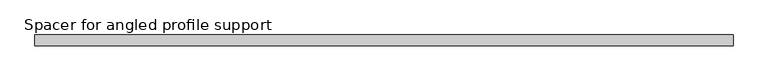
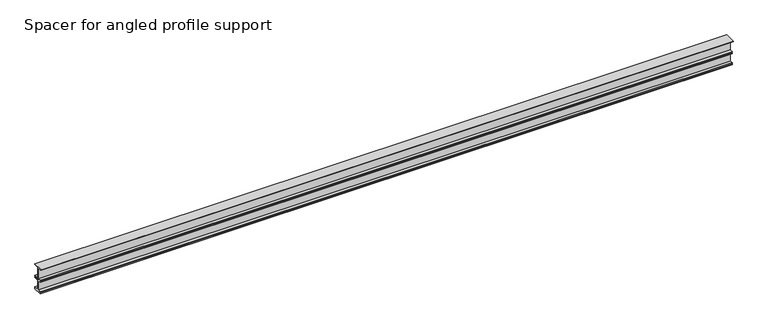
"""IFC4 building model written with IfcOpenShell, lengths in millimetres: proxy geometry, Spacer for angled profile support."""

from ifc_helpers import new_model, si_unit, frame, origin, place, context, project, spatial, polyline, outline, extrude, source, transform, mapped, element, save


def spacer_for_angled_profile_support_0745811d(model_context):
    return source(origin(), model_context, "Body", "SweptSolid", [
        extrude(outline(polyline([(-30.0, 74.5), (0.0, 74.5), (0.0, 72.5), (-14.0, 72.5), (-14.0, 39.5), (0.0, 39.5), (0.0, 37.5), (-14.0, 37.5), (-14.0, 35.5), (0.0, 35.5), (0.0, 33.5), (-14.0, 33.5), (-14.0, 6.0), (0.0, 6.0), (0.0, 4.0), (-14.0, 4.0), (-14.0, 2.0), (0.0, 2.0), (0.0, 0.0), (-24.8631001, 0.0), (-24.8631001, 2.0), (-16.0, 2.0), (-16.0, 4.0), (-24.8631001, 4.0), (-24.8631001, 6.0), (-16.0, 6.0), (-16.0, 33.5), (-24.8631001, 33.5), (-24.8631001, 35.5), (-16.0, 35.5), (-16.0, 37.5), (-24.8631001, 37.5), (-24.8631001, 39.5), (-16.0, 39.5), (-16.0, 72.2678121), (-29.6651718, 72.2678121), (-30.0, 74.5)])), frame((0.0, 0.0, 0.0), z_axis=(1.0, 0.0, 0.0), x_axis=(0.0, 1.0, 0.0)), (0.0, 0.0, 1.0), 1950.0),
    ])


if __name__ == "__main__":
    model = new_model("IFC4")
    model_context = context("Model", 3, world=origin())
    ifc_project = project(units=[si_unit("LENGTHUNIT", "METRE", prefix="MILLI")], contexts=[model_context])
    site = spatial("IfcSite", under=ifc_project)
    building = spatial("IfcBuilding", under=site)
    placement = place(None, origin())
    spacer_for_angled_profile_support_shape = spacer_for_angled_profile_support_0745811d(model_context)
    element("IfcBuildingElementProxy", 1, Name="Spacer for angled profile support", ObjectType="Spacer for angled profile support", at=placement, inside=building, context=model_context, shape_type="MappedRepresentation", body=[
        mapped(spacer_for_angled_profile_support_shape, transform((0.0, 0.0, 0.0), x_axis=(1.0, 0.0, 0.0), y_axis=(0.0, 1.0, 0.0), z_axis=(0.0, 0.0, 1.0))),
    ])
    save(model, "model.ifc")
